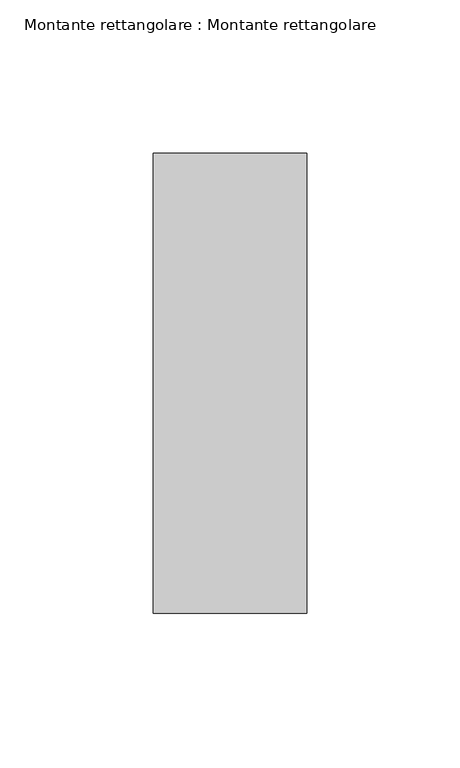
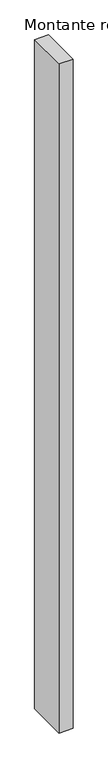
"""IFC4 building model written with IfcOpenShell, lengths in millimetres: member geometry, Montante rettangolare : Montante rettangolare."""

from ifc_helpers import new_model, si_unit, frame, origin, place, context, project, spatial, polyline, outline, extrude, source, transform, mapped, element, save


def montante_rettangolare_montante_rettangolare_aeb6c88a(model_context):
    return source(origin(), model_context, "Body", "SweptSolid", [
        extrude(outline(polyline([(0.0, 75.0), (0.0, -75.0), (-50.0, -75.0), (-50.0, 75.0), (0.0, 75.0)])), frame((0.0, 0.0, -2525.0), z_axis=(0.0, 0.0, 1.0), x_axis=(1.0, 0.0, 0.0)), (0.0, 0.0, 1.0), 2525.0),
    ])


if __name__ == "__main__":
    model = new_model("IFC4")
    model_context = context("Model", 3, world=origin())
    ifc_project = project(units=[si_unit("LENGTHUNIT", "METRE", prefix="MILLI")], contexts=[model_context])
    site = spatial("IfcSite", under=ifc_project)
    building = spatial("IfcBuilding", under=site)
    placement = place(None, origin())
    montante_rettangolare_montante_rettangolare_shape = montante_rettangolare_montante_rettangolare_aeb6c88a(model_context)
    element("IfcMember", 1, ObjectType="Montante rettangolare : Montante rettangolare", at=placement, inside=building, context=model_context, shape_type="MappedRepresentation", body=[
        mapped(montante_rettangolare_montante_rettangolare_shape, transform((0.0, 0.0, 0.0), x_axis=(1.0, 0.0, 0.0), y_axis=(0.0, 1.0, 0.0), z_axis=(0.0, 0.0, 1.0))),
    ])
    save(model, "model.ifc")
